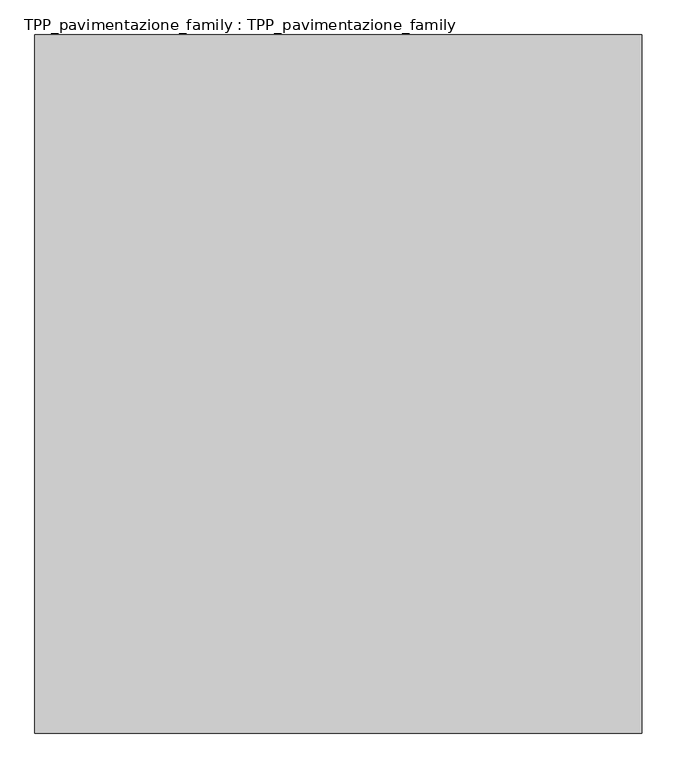
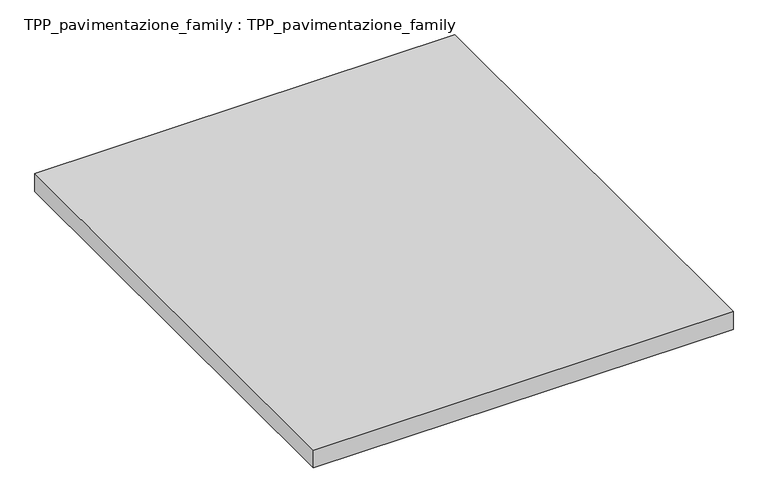
"""IFC4 building model written with IfcOpenShell, lengths in millimetres: proxy geometry, TPP_pavimentazione_family : TPP_pavimentazione_family."""

from ifc_helpers import new_model, si_unit, origin, origin_with_axes, place, context, project, spatial, polyline, outline, extrude, source, transform, mapped, element, save


def tpp_pavimentazione_family_tpp_pavimentazione_family_23ebba34(model_context):
    return source(origin(), model_context, "Body", "SweptSolid", [
        extrude(outline(polyline([(511.8146187, 354.2201026), (511.8146187, -922.7037567), (-598.8338952, -922.7037567), (-598.8338952, 354.2201026), (511.8146187, 354.2201026)])), origin_with_axes(), (0.0, 0.0, 1.0), 50.0),
    ])


if __name__ == "__main__":
    model = new_model("IFC4")
    model_context = context("Model", 3, world=origin())
    ifc_project = project(units=[si_unit("LENGTHUNIT", "METRE", prefix="MILLI")], contexts=[model_context])
    site = spatial("IfcSite", under=ifc_project)
    building = spatial("IfcBuilding", under=site)
    placement = place(None, origin())
    tpp_pavimentazione_family_tpp_pavimentazione_family_shape = tpp_pavimentazione_family_tpp_pavimentazione_family_23ebba34(model_context)
    element("IfcBuildingElementProxy", 1, Name="TPP_pavimentazione_family : TPP_pavimentazione_family", ObjectType="TPP_pavimentazione_family : TPP_pavimentazione_family", at=placement, inside=building, context=model_context, shape_type="MappedRepresentation", body=[
        mapped(tpp_pavimentazione_family_tpp_pavimentazione_family_shape, transform((0.0, 0.0, 0.0), x_axis=(1.0, 0.0, 0.0), y_axis=(0.0, 1.0, 0.0), z_axis=(0.0, 0.0, 1.0))),
    ])
    save(model, "model.ifc")
